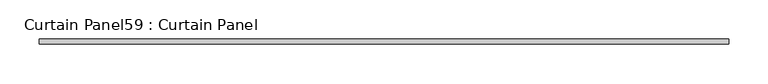
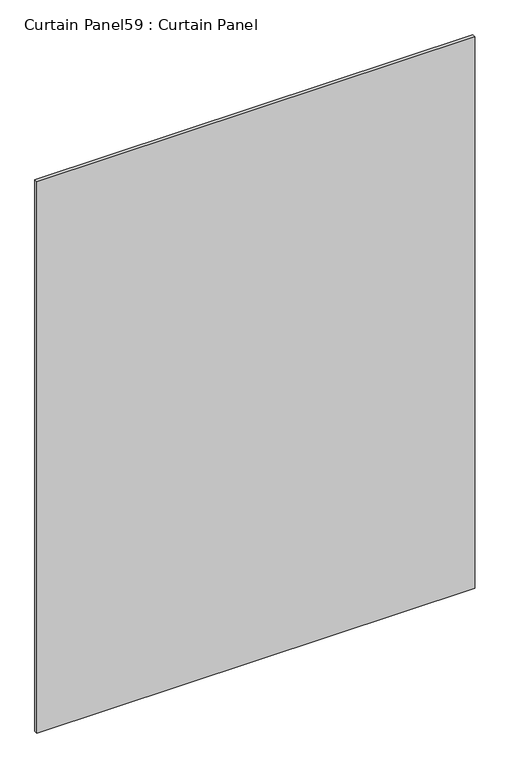
"""IFC4 building model written with IfcOpenShell, lengths in millimetres: plate geometry, Curtain Panel59 : Curtain Panel."""

import ifcopenshell
import ifcopenshell.guid

model = None  # the IFC model being written
_history = None  # IfcOwnerHistory: only IFC2X3 demands one
_inside = {}  # id of a spatial element -> (the spatial element, [elements in it])
_under = {}  # id of a project, library or spatial element -> (it, [spatial elements below it])
_declared = {}  # id of a project -> (the project, [libraries it declares])
_typed = {}  # id of a type object -> (the type object, [elements of that type])
_made_of = {}  # id of a material, layer set ... -> (it, [elements and type objects made of it])


def new_model(schema):
    """Start an empty IFC model of exactly this schema.

    Asked for "IFC4X3", IfcOpenShell would pick the latest addendum, in which some entities
    have other attributes; the version numbers below select the first issue.
    IFC2X3 requires an IfcOwnerHistory on every rooted entity: one is made here for all.
    """
    global model, _history
    if schema == "IFC4X3":
        model = ifcopenshell.file(schema_version=(4, 3, 0, 0))
    else:
        model = ifcopenshell.file(schema=schema)
    _inside.clear()
    _under.clear()
    _declared.clear()
    _typed.clear()
    _made_of.clear()
    _history = None
    if model.schema == "IFC2X3":
        org = make("IfcOrganization", Name="unknown")
        user = make(
            "IfcPersonAndOrganization",
            ThePerson=make("IfcPerson", FamilyName="unknown"),
            TheOrganization=org,
        )
        app = make(
            "IfcApplication",
            ApplicationDeveloper=org,
            Version="unknown",
            ApplicationFullName="unknown",
            ApplicationIdentifier="unknown",
        )
        _history = make(
            "IfcOwnerHistory",
            OwningUser=user,
            OwningApplication=app,
            ChangeAction="ADDED",
            CreationDate=0,
        )
    return model


def make(cls, **values):
    """One entity of the class cls with the attributes given. An attribute that is None is left unset."""
    return model.create_entity(
        cls, **{name: value for name, value in values.items() if value is not None}
    )


def rooted(cls, **values):
    """An entity with a GlobalId (a new one), such as an element, a storey or a relation."""
    return make(cls, GlobalId=ifcopenshell.guid.new(), OwnerHistory=_history, **values)


def si_unit(unit_type, name, prefix=None):
    """IfcSIUnit, for example si_unit("LENGTHUNIT", "METRE", prefix="MILLI")."""
    return make("IfcSIUnit", UnitType=unit_type, Prefix=prefix, Name=name)


def assignment(units):
    """IfcUnitAssignment: the units of a project."""
    return None if units is None else make("IfcUnitAssignment", Units=units)


def point(xyz):
    """IfcCartesianPoint."""
    return None if xyz is None else make("IfcCartesianPoint", Coordinates=xyz)


def direction(xyz):
    """IfcDirection."""
    return None if xyz is None else make("IfcDirection", DirectionRatios=xyz)


def frame(location, z_axis=None, x_axis=None):
    """IfcAxis2Placement3D, a coordinate frame: its origin and axes. An axis left out is left unset."""
    return make(
        "IfcAxis2Placement3D",
        Location=point(location),
        Axis=direction(z_axis),
        RefDirection=direction(x_axis),
    )


def origin():
    """The frame at (0, 0, 0) with its axes left unset."""
    return frame((0.0, 0.0, 0.0))


def place(relative_to, where):
    """IfcLocalPlacement: puts the frame where relative to a parent placement (None: the world)."""
    return make(
        "IfcLocalPlacement", PlacementRelTo=relative_to, RelativePlacement=where
    )


def context(
    kind, dimensions, precision=None, world=None, true_north=None, identifier=None
):
    """IfcGeometricRepresentationContext, for example the 3D "Model" context."""
    return make(
        "IfcGeometricRepresentationContext",
        ContextIdentifier=identifier,
        ContextType=kind,
        CoordinateSpaceDimension=dimensions,
        Precision=precision,
        WorldCoordinateSystem=world,
        TrueNorth=true_north,
    )


def project(units=None, contexts=None):
    """IfcProject with its units and contexts."""
    return rooted(
        "IfcProject",
        Name="project",
        RepresentationContexts=contexts,
        UnitsInContext=assignment(units),
    )


def spatial(cls, under=None, at=None, **own):
    """A site, building, storey or space (cls), placed at a placement, below another one or the project."""
    s = rooted(cls, ObjectPlacement=at, **own)
    if under is not None:
        _under.setdefault(under.id(), (under, []))[1].append(s)
    return s


def polyline(points):
    """IfcPolyline through the points."""
    return make("IfcPolyline", Points=[point(p) for p in points])


def outline(outer, holes=None, kind="AREA"):
    """IfcArbitraryClosedProfileDef: a profile drawn as a closed curve; with holes, ...WithVoids."""
    if holes is None:
        return make("IfcArbitraryClosedProfileDef", ProfileType=kind, OuterCurve=outer)
    return make(
        "IfcArbitraryProfileDefWithVoids",
        ProfileType=kind,
        OuterCurve=outer,
        InnerCurves=holes,
    )


def extrude(swept, where, along, depth):
    """IfcExtrudedAreaSolid: the profile swept, set in the frame where, extruded along a direction by depth."""
    return make(
        "IfcExtrudedAreaSolid",
        SweptArea=swept,
        Position=where,
        ExtrudedDirection=direction(along),
        Depth=depth,
    )


def shape(context_of_items, identifier, shape_type, items):
    """IfcShapeRepresentation: the items that make up one representation, for example the "Body"."""
    return make(
        "IfcShapeRepresentation",
        ContextOfItems=context_of_items,
        RepresentationIdentifier=identifier,
        RepresentationType=shape_type,
        Items=items,
    )


def source(mapping_origin, context_of_items, identifier, shape_type, items):
    """IfcRepresentationMap: a shape defined once, which mapped items show again and again."""
    return make(
        "IfcRepresentationMap",
        MappingOrigin=mapping_origin,
        MappedRepresentation=shape(context_of_items, identifier, shape_type, items),
    )


def transform(
    local_origin,
    x_axis=None,
    y_axis=None,
    z_axis=None,
    scale=None,
    scale2=None,
    scale3=None,
    uniform=True,
):
    """IfcCartesianTransformationOperator3D, or its non-uniform kind. x_axis, y_axis, z_axis: its Axis1, 2, 3."""
    if uniform:
        return make(
            "IfcCartesianTransformationOperator3D",
            Axis1=direction(x_axis),
            Axis2=direction(y_axis),
            LocalOrigin=point(local_origin),
            Scale=scale,
            Axis3=direction(z_axis),
        )
    return make(
        "IfcCartesianTransformationOperator3DnonUniform",
        Axis1=direction(x_axis),
        Axis2=direction(y_axis),
        LocalOrigin=point(local_origin),
        Scale=scale,
        Axis3=direction(z_axis),
        Scale2=scale2,
        Scale3=scale3,
    )


def mapped(mapping_source, mapping_target):
    """IfcMappedItem: shows the shape of a source again, moved by a transform."""
    return make(
        "IfcMappedItem", MappingSource=mapping_source, MappingTarget=mapping_target
    )


def made_of(thing, what):
    """Note that an element or type object is made of a material, layer set ...; save() writes the relation."""
    if what is not None:
        _made_of.setdefault(what.id(), (what, []))[1].append(thing)
    return thing


def element(
    cls,
    number,
    at=None,
    inside=None,
    cuts=None,
    type_object=None,
    material=None,
    context=None,
    identifier="Body",
    shape_type=None,
    held_by="IfcProductDefinitionShape",
    body=None,
    shapes=None,
    **own,
):
    """One element of the class cls, such as IfcWall. Its Tag is "e" and its number.

    at: its placement. inside: the storey or other place that contains it. cuts: it is an
    opening in that element (IfcRelVoidsElement). A single representation is given by context,
    identifier, shape_type and body (its items); several are given by shapes. held_by: the class
    of the entity that holds the representations. save() writes the other relations.
    """
    e = rooted(cls, Tag="e%d" % number, ObjectPlacement=at, **own)
    if body is not None:
        shapes = [shape(context, identifier, shape_type, body)]
    if shapes is not None:
        e.Representation = make(held_by, Representations=shapes)
    if inside is not None:
        _inside.setdefault(inside.id(), (inside, []))[1].append(e)
    if cuts is not None:
        rooted(
            "IfcRelVoidsElement", RelatingBuildingElement=cuts, RelatedOpeningElement=e
        )
    if type_object is not None:
        _typed.setdefault(type_object.id(), (type_object, []))[1].append(e)
    return made_of(e, material)


def aggregate(whole, parts):
    """IfcRelAggregates: a whole, such as a stair, and the parts it consists of."""
    return rooted("IfcRelAggregates", RelatingObject=whole, RelatedObjects=parts)


def save(model, path):
    """Write the relations noted so far, then the file.

    IfcRelAggregates (storeys below a building ...), IfcRelContainedInSpatialStructure (elements
    in a storey), IfcRelDefinesByType, IfcRelAssociatesMaterial and IfcRelDeclares: one each for
    every whole, place, type object, material and project.
    """
    for whole, parts in _under.values():
        aggregate(whole, parts)
    for where, things in _inside.values():
        rooted(
            "IfcRelContainedInSpatialStructure",
            RelatedElements=things,
            RelatingStructure=where,
        )
    for kind, things in _typed.values():
        rooted("IfcRelDefinesByType", RelatedObjects=things, RelatingType=kind)
    for what, things in _made_of.values():
        rooted("IfcRelAssociatesMaterial", RelatedObjects=things, RelatingMaterial=what)
    for by, libraries in _declared.values():
        rooted("IfcRelDeclares", RelatingContext=by, RelatedDefinitions=libraries)
    model.write(path)


def curtain_panel59_curtain_panel_981567b7(model_context):
    return source(origin(), model_context, "Body", "SweptSolid", [
        extrude(outline(polyline([(-37408.7643244, 3064.714383), (-38281.8893244, 3064.714383), (-38281.8893244, 3071.064383), (-37408.7643244, 3071.064383), (-37408.7643244, 3064.714383)])), frame((0.0, 0.0, 2454.27095), z_axis=(0.0, 0.0, 1.0), x_axis=(1.0, 0.0, 0.0)), (0.0, 0.0, 1.0), 1162.05405),
    ])


if __name__ == "__main__":
    model = new_model("IFC4")
    model_context = context("Model", 3, world=origin())
    ifc_project = project(units=[si_unit("LENGTHUNIT", "METRE", prefix="MILLI")], contexts=[model_context])
    site = spatial("IfcSite", under=ifc_project)
    building = spatial("IfcBuilding", under=site)
    placement = place(None, origin())
    curtain_panel59_curtain_panel_shape = curtain_panel59_curtain_panel_981567b7(model_context)
    element("IfcPlate", 1, ObjectType="Curtain Panel59 : Curtain Panel", at=placement, inside=building, context=model_context, shape_type="MappedRepresentation", body=[
        mapped(curtain_panel59_curtain_panel_shape, transform((0.0, 0.0, 0.0), x_axis=(1.0, 0.0, 0.0), y_axis=(0.0, 1.0, 0.0), z_axis=(0.0, 0.0, 1.0))),
    ])
    save(model, "model.ifc")
